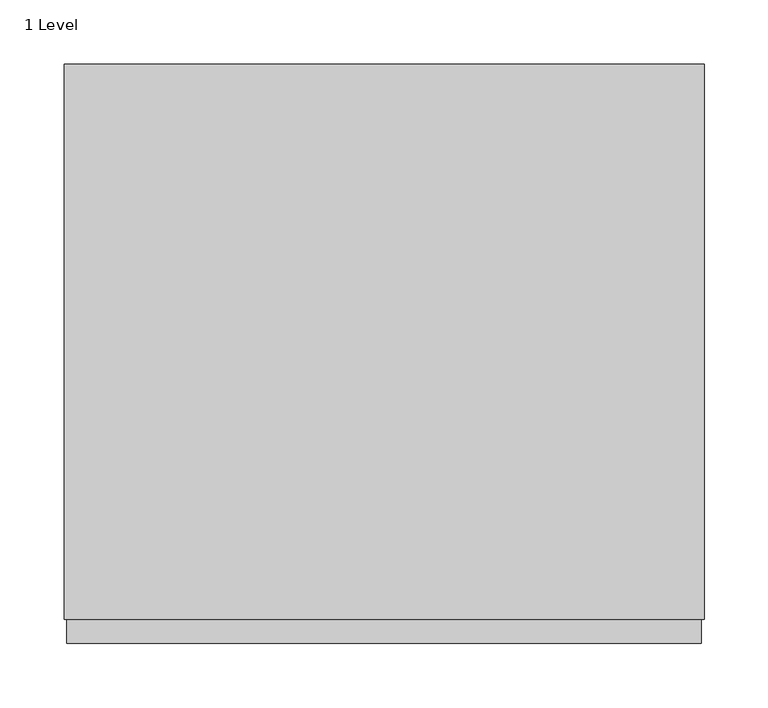
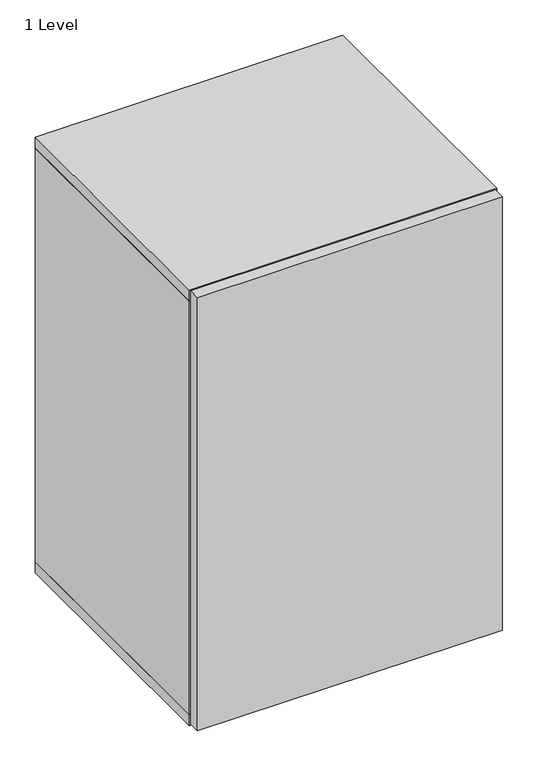
"""IFC4 building model written with IfcOpenShell, lengths in millimetres: furniture geometry, 1 Level."""

from ifc_helpers import new_model, si_unit, frame, origin, place, context, project, spatial, polyline, outline, extrude, source, transform, mapped, element, save


def furniture_1_level_32b991f0(model_context):
    return source(origin(), model_context, "Body", "SweptSolid", [
        extrude(outline(polyline([(498.0, -453.0), (2.0, -453.0), (2.0, -434.0), (498.0, -434.0), (498.0, -453.0)])), frame((0.0, 0.0, 222.0), z_axis=(0.0, 0.0, 1.0), x_axis=(1.0, 0.0, 0.0)), (0.0, 0.0, 1.0), 746.0),
        extrude(outline(polyline([(481.0, -10.0), (481.0, -434.0), (19.0, -434.0), (19.0, -10.0), (481.0, -10.0)])), frame((0.0, 0.0, 239.0), z_axis=(0.0, 0.0, 1.0), x_axis=(1.0, 0.0, 0.0)), (0.0, 0.0, 1.0), 3.0),
        extrude(outline(polyline([(481.0, 0.0), (481.0, -10.0), (19.0, -10.0), (19.0, 0.0), (481.0, 0.0)])), frame((0.0, 0.0, 239.0), z_axis=(0.0, 0.0, 1.0), x_axis=(1.0, 0.0, 0.0)), (0.0, 0.0, 1.0), 712.0),
        extrude(outline(polyline([(19.0, 0.0), (19.0, -434.0), (0.0, -434.0), (0.0, 0.0), (19.0, 0.0)])), frame((0.0, 0.0, 239.0), z_axis=(0.0, 0.0, 1.0), x_axis=(1.0, 0.0, 0.0)), (0.0, 0.0, 1.0), 712.0),
        extrude(outline(polyline([(481.0, 0.0), (500.0, 0.0), (500.0, -434.0), (481.0, -434.0), (481.0, 0.0)])), frame((0.0, 0.0, 239.0), z_axis=(0.0, 0.0, 1.0), x_axis=(1.0, 0.0, 0.0)), (0.0, 0.0, 1.0), 712.0),
        extrude(outline(polyline([(500.0, 0.0), (500.0, -434.0), (0.0, -434.0), (0.0, 0.0), (500.0, 0.0)])), frame((0.0, 0.0, 951.0), z_axis=(0.0, 0.0, 1.0), x_axis=(1.0, 0.0, 0.0)), (0.0, 0.0, 1.0), 19.0),
        extrude(outline(polyline([(500.0, 0.0), (500.0, -434.0), (0.0, -434.0), (0.0, 0.0), (500.0, 0.0)])), frame((0.0, 0.0, 220.0), z_axis=(0.0, 0.0, 1.0), x_axis=(1.0, 0.0, 0.0)), (0.0, 0.0, 1.0), 19.0),
    ])


if __name__ == "__main__":
    model = new_model("IFC4")
    model_context = context("Model", 3, world=origin())
    ifc_project = project(units=[si_unit("LENGTHUNIT", "METRE", prefix="MILLI")], contexts=[model_context])
    site = spatial("IfcSite", under=ifc_project)
    building = spatial("IfcBuilding", under=site)
    placement = place(None, origin())
    furniture_1_level_shape = furniture_1_level_32b991f0(model_context)
    element("IfcFurniture", 1, ObjectType="1 Level", at=placement, inside=building, context=model_context, shape_type="MappedRepresentation", body=[
        mapped(furniture_1_level_shape, transform((0.0, 0.0, 0.0), x_axis=(1.0, 0.0, 0.0), y_axis=(0.0, 1.0, 0.0), z_axis=(0.0, 0.0, 1.0))),
    ])
    save(model, "model.ifc")
